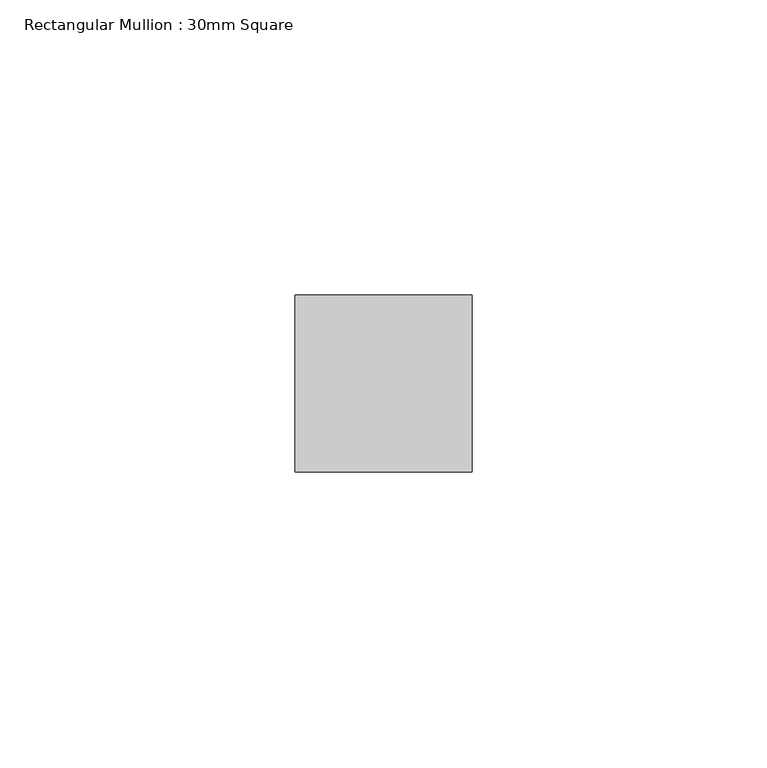
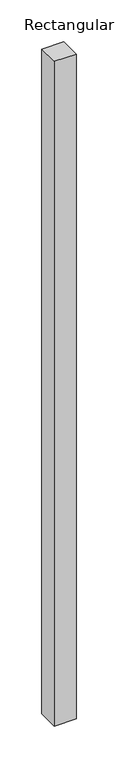
"""IFC4 building model written with IfcOpenShell, lengths in millimetres: member geometry, Rectangular Mullion : 30mm Square."""

from ifc_helpers import new_model, si_unit, frame, origin, place, context, project, spatial, polyline, outline, extrude, source, transform, mapped, element, save


def rectangular_mullion_30mm_square_caf78da9(model_context):
    return source(origin(), model_context, "Body", "SweptSolid", [
        extrude(outline(polyline([(0.0, 15.0), (0.0, -15.0), (-30.0, -15.0), (-30.0, 15.0), (0.0, 15.0)])), frame((0.0, 0.0, -970.0), z_axis=(0.0, 0.0, 1.0), x_axis=(1.0, 0.0, 0.0)), (0.0, 0.0, 1.0), 970.0),
    ])


if __name__ == "__main__":
    model = new_model("IFC4")
    model_context = context("Model", 3, world=origin())
    ifc_project = project(units=[si_unit("LENGTHUNIT", "METRE", prefix="MILLI")], contexts=[model_context])
    site = spatial("IfcSite", under=ifc_project)
    building = spatial("IfcBuilding", under=site)
    placement = place(None, origin())
    rectangular_mullion_30mm_square_shape = rectangular_mullion_30mm_square_caf78da9(model_context)
    element("IfcMember", 1, ObjectType="Rectangular Mullion : 30mm Square", at=placement, inside=building, context=model_context, shape_type="MappedRepresentation", body=[
        mapped(rectangular_mullion_30mm_square_shape, transform((0.0, 0.0, 0.0), x_axis=(1.0, 0.0, 0.0), y_axis=(0.0, 1.0, 0.0), z_axis=(0.0, 0.0, 1.0))),
    ])
    save(model, "model.ifc")
